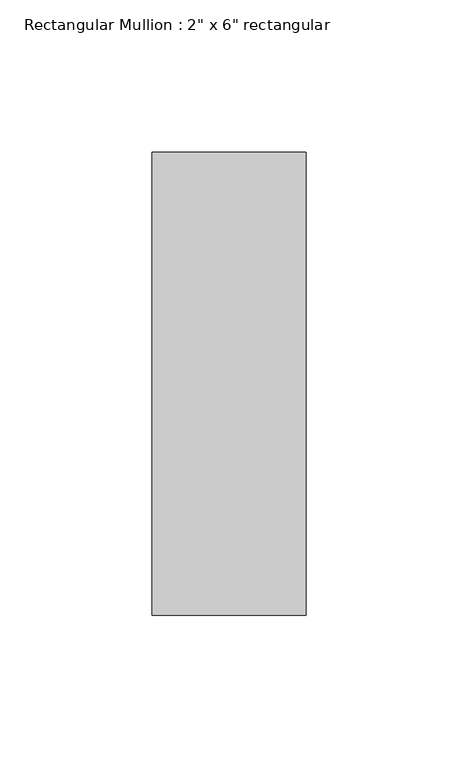
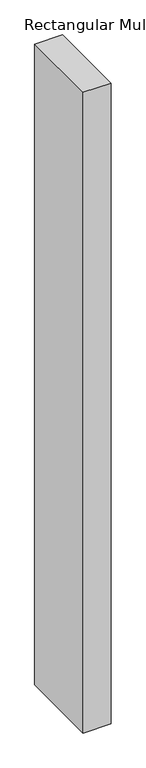
"""IFC4 building model written with IfcOpenShell, lengths in millimetres: member geometry."""

import ifcopenshell
import ifcopenshell.guid

model = None  # the IFC model being written
_history = None  # IfcOwnerHistory: only IFC2X3 demands one
_inside = {}  # id of a spatial element -> (the spatial element, [elements in it])
_under = {}  # id of a project, library or spatial element -> (it, [spatial elements below it])
_declared = {}  # id of a project -> (the project, [libraries it declares])
_typed = {}  # id of a type object -> (the type object, [elements of that type])
_made_of = {}  # id of a material, layer set ... -> (it, [elements and type objects made of it])


def new_model(schema):
    """Start an empty IFC model of exactly this schema.

    Asked for "IFC4X3", IfcOpenShell would pick the latest addendum, in which some entities
    have other attributes; the version numbers below select the first issue.
    IFC2X3 requires an IfcOwnerHistory on every rooted entity: one is made here for all.
    """
    global model, _history
    if schema == "IFC4X3":
        model = ifcopenshell.file(schema_version=(4, 3, 0, 0))
    else:
        model = ifcopenshell.file(schema=schema)
    _inside.clear()
    _under.clear()
    _declared.clear()
    _typed.clear()
    _made_of.clear()
    _history = None
    if model.schema == "IFC2X3":
        org = make("IfcOrganization", Name="unknown")
        user = make(
            "IfcPersonAndOrganization",
            ThePerson=make("IfcPerson", FamilyName="unknown"),
            TheOrganization=org,
        )
        app = make(
            "IfcApplication",
            ApplicationDeveloper=org,
            Version="unknown",
            ApplicationFullName="unknown",
            ApplicationIdentifier="unknown",
        )
        _history = make(
            "IfcOwnerHistory",
            OwningUser=user,
            OwningApplication=app,
            ChangeAction="ADDED",
            CreationDate=0,
        )
    return model


def make(cls, **values):
    """One entity of the class cls with the attributes given. An attribute that is None is left unset."""
    return model.create_entity(
        cls, **{name: value for name, value in values.items() if value is not None}
    )


def rooted(cls, **values):
    """An entity with a GlobalId (a new one), such as an element, a storey or a relation."""
    return make(cls, GlobalId=ifcopenshell.guid.new(), OwnerHistory=_history, **values)


def si_unit(unit_type, name, prefix=None):
    """IfcSIUnit, for example si_unit("LENGTHUNIT", "METRE", prefix="MILLI")."""
    return make("IfcSIUnit", UnitType=unit_type, Prefix=prefix, Name=name)


def assignment(units):
    """IfcUnitAssignment: the units of a project."""
    return None if units is None else make("IfcUnitAssignment", Units=units)


def point(xyz):
    """IfcCartesianPoint."""
    return None if xyz is None else make("IfcCartesianPoint", Coordinates=xyz)


def direction(xyz):
    """IfcDirection."""
    return None if xyz is None else make("IfcDirection", DirectionRatios=xyz)


def frame(location, z_axis=None, x_axis=None):
    """IfcAxis2Placement3D, a coordinate frame: its origin and axes. An axis left out is left unset."""
    return make(
        "IfcAxis2Placement3D",
        Location=point(location),
        Axis=direction(z_axis),
        RefDirection=direction(x_axis),
    )


def origin():
    """The frame at (0, 0, 0) with its axes left unset."""
    return frame((0.0, 0.0, 0.0))


def place(relative_to, where):
    """IfcLocalPlacement: puts the frame where relative to a parent placement (None: the world)."""
    return make(
        "IfcLocalPlacement", PlacementRelTo=relative_to, RelativePlacement=where
    )


def context(
    kind, dimensions, precision=None, world=None, true_north=None, identifier=None
):
    """IfcGeometricRepresentationContext, for example the 3D "Model" context."""
    return make(
        "IfcGeometricRepresentationContext",
        ContextIdentifier=identifier,
        ContextType=kind,
        CoordinateSpaceDimension=dimensions,
        Precision=precision,
        WorldCoordinateSystem=world,
        TrueNorth=true_north,
    )


def project(units=None, contexts=None):
    """IfcProject with its units and contexts."""
    return rooted(
        "IfcProject",
        Name="project",
        RepresentationContexts=contexts,
        UnitsInContext=assignment(units),
    )


def spatial(cls, under=None, at=None, **own):
    """A site, building, storey or space (cls), placed at a placement, below another one or the project."""
    s = rooted(cls, ObjectPlacement=at, **own)
    if under is not None:
        _under.setdefault(under.id(), (under, []))[1].append(s)
    return s


def polyline(points):
    """IfcPolyline through the points."""
    return make("IfcPolyline", Points=[point(p) for p in points])


def outline(outer, holes=None, kind="AREA"):
    """IfcArbitraryClosedProfileDef: a profile drawn as a closed curve; with holes, ...WithVoids."""
    if holes is None:
        return make("IfcArbitraryClosedProfileDef", ProfileType=kind, OuterCurve=outer)
    return make(
        "IfcArbitraryProfileDefWithVoids",
        ProfileType=kind,
        OuterCurve=outer,
        InnerCurves=holes,
    )


def extrude(swept, where, along, depth):
    """IfcExtrudedAreaSolid: the profile swept, set in the frame where, extruded along a direction by depth."""
    return make(
        "IfcExtrudedAreaSolid",
        SweptArea=swept,
        Position=where,
        ExtrudedDirection=direction(along),
        Depth=depth,
    )


def shape(context_of_items, identifier, shape_type, items):
    """IfcShapeRepresentation: the items that make up one representation, for example the "Body"."""
    return make(
        "IfcShapeRepresentation",
        ContextOfItems=context_of_items,
        RepresentationIdentifier=identifier,
        RepresentationType=shape_type,
        Items=items,
    )


def source(mapping_origin, context_of_items, identifier, shape_type, items):
    """IfcRepresentationMap: a shape defined once, which mapped items show again and again."""
    return make(
        "IfcRepresentationMap",
        MappingOrigin=mapping_origin,
        MappedRepresentation=shape(context_of_items, identifier, shape_type, items),
    )


def transform(
    local_origin,
    x_axis=None,
    y_axis=None,
    z_axis=None,
    scale=None,
    scale2=None,
    scale3=None,
    uniform=True,
):
    """IfcCartesianTransformationOperator3D, or its non-uniform kind. x_axis, y_axis, z_axis: its Axis1, 2, 3."""
    if uniform:
        return make(
            "IfcCartesianTransformationOperator3D",
            Axis1=direction(x_axis),
            Axis2=direction(y_axis),
            LocalOrigin=point(local_origin),
            Scale=scale,
            Axis3=direction(z_axis),
        )
    return make(
        "IfcCartesianTransformationOperator3DnonUniform",
        Axis1=direction(x_axis),
        Axis2=direction(y_axis),
        LocalOrigin=point(local_origin),
        Scale=scale,
        Axis3=direction(z_axis),
        Scale2=scale2,
        Scale3=scale3,
    )


def mapped(mapping_source, mapping_target):
    """IfcMappedItem: shows the shape of a source again, moved by a transform."""
    return make(
        "IfcMappedItem", MappingSource=mapping_source, MappingTarget=mapping_target
    )


def made_of(thing, what):
    """Note that an element or type object is made of a material, layer set ...; save() writes the relation."""
    if what is not None:
        _made_of.setdefault(what.id(), (what, []))[1].append(thing)
    return thing


def element(
    cls,
    number,
    at=None,
    inside=None,
    cuts=None,
    type_object=None,
    material=None,
    context=None,
    identifier="Body",
    shape_type=None,
    held_by="IfcProductDefinitionShape",
    body=None,
    shapes=None,
    **own,
):
    """One element of the class cls, such as IfcWall. Its Tag is "e" and its number.

    at: its placement. inside: the storey or other place that contains it. cuts: it is an
    opening in that element (IfcRelVoidsElement). A single representation is given by context,
    identifier, shape_type and body (its items); several are given by shapes. held_by: the class
    of the entity that holds the representations. save() writes the other relations.
    """
    e = rooted(cls, Tag="e%d" % number, ObjectPlacement=at, **own)
    if body is not None:
        shapes = [shape(context, identifier, shape_type, body)]
    if shapes is not None:
        e.Representation = make(held_by, Representations=shapes)
    if inside is not None:
        _inside.setdefault(inside.id(), (inside, []))[1].append(e)
    if cuts is not None:
        rooted(
            "IfcRelVoidsElement", RelatingBuildingElement=cuts, RelatedOpeningElement=e
        )
    if type_object is not None:
        _typed.setdefault(type_object.id(), (type_object, []))[1].append(e)
    return made_of(e, material)


def aggregate(whole, parts):
    """IfcRelAggregates: a whole, such as a stair, and the parts it consists of."""
    return rooted("IfcRelAggregates", RelatingObject=whole, RelatedObjects=parts)


def save(model, path):
    """Write the relations noted so far, then the file.

    IfcRelAggregates (storeys below a building ...), IfcRelContainedInSpatialStructure (elements
    in a storey), IfcRelDefinesByType, IfcRelAssociatesMaterial and IfcRelDeclares: one each for
    every whole, place, type object, material and project.
    """
    for whole, parts in _under.values():
        aggregate(whole, parts)
    for where, things in _inside.values():
        rooted(
            "IfcRelContainedInSpatialStructure",
            RelatedElements=things,
            RelatingStructure=where,
        )
    for kind, things in _typed.values():
        rooted("IfcRelDefinesByType", RelatedObjects=things, RelatingType=kind)
    for what, things in _made_of.values():
        rooted("IfcRelAssociatesMaterial", RelatedObjects=things, RelatingMaterial=what)
    for by, libraries in _declared.values():
        rooted("IfcRelDeclares", RelatingContext=by, RelatedDefinitions=libraries)
    model.write(path)


def member_72d6df9e(model_context):
    return source(origin(), model_context, "Body", "SweptSolid", [
        extrude(outline(polyline([(0.0, 76.2), (0.0, -76.2), (-50.8, -76.2), (-50.8, 76.2), (0.0, 76.2)])), frame((0.0, 0.0, -1227.6666667), z_axis=(0.0, 0.0, 1.0), x_axis=(1.0, 0.0, 0.0)), (0.0, 0.0, 1.0), 1227.6666667),
    ])


if __name__ == "__main__":
    model = new_model("IFC4")
    model_context = context("Model", 3, world=origin())
    ifc_project = project(units=[si_unit("LENGTHUNIT", "METRE", prefix="MILLI")], contexts=[model_context])
    site = spatial("IfcSite", under=ifc_project)
    building = spatial("IfcBuilding", under=site)
    placement = place(None, origin())
    member_shape = member_72d6df9e(model_context)
    element("IfcMember", 1, ObjectType="Rectangular Mullion : 2\" x 6\" rectangular", at=placement, inside=building, context=model_context, shape_type="MappedRepresentation", body=[
        mapped(member_shape, transform((0.0, 0.0, 0.0), x_axis=(1.0, 0.0, 0.0), y_axis=(0.0, 1.0, 0.0), z_axis=(0.0, 0.0, 1.0))),
    ])
    save(model, "model.ifc")
